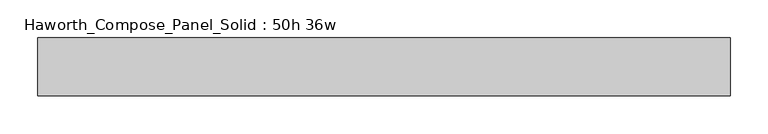
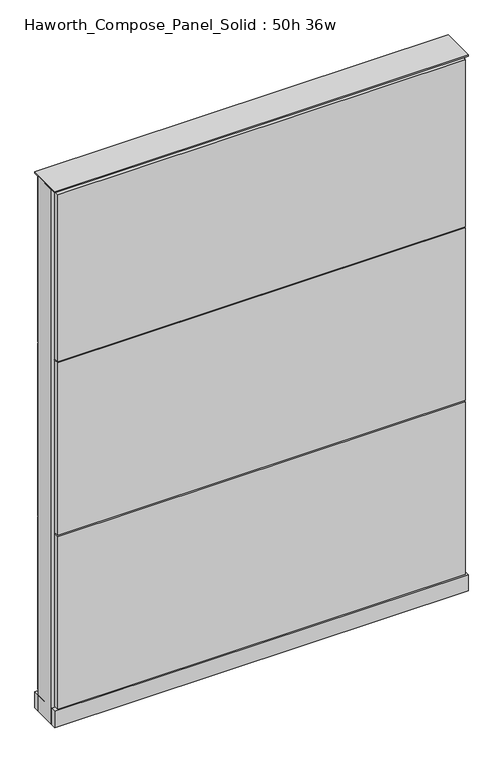
"""IFC4 building model written with IfcOpenShell, lengths in millimetres: furniture geometry, Haworth_Compose_Panel_Solid : 50h 36w."""

from ifc_helpers import new_model, si_unit, point, frame, frame_2d, origin, origin_with_axes, place, context, project, spatial, polyline, circle_curve, trimmed, segment, composite_curve, outline, extrude, source, transform, mapped, element, save


def haworth_compose_panel_solid_50h_36w_e4e8cb73(model_context):
    return source(origin(), model_context, "Body", "SweptSolid", [
        extrude(outline(composite_curve([segment(trimmed(circle_curve(frame_2d((-378.5597098, 0.0)), 12.7), [point((-391.2597098, 0.0))], [point((-365.8597098, 0.0))], False, "CARTESIAN"), True, "CONTINUOUS"), segment(trimmed(circle_curve(frame_2d((-378.5597098, 0.0)), 12.7), [point((-365.8597098, 0.0))], [point((-391.2597098, 0.0))], False, "CARTESIAN"), True, "CONTINUOUS")], self_intersect=False)), origin_with_axes(), (0.0, 0.0, 1.0), 12.7),
        extrude(outline(composite_curve([segment(trimmed(circle_curve(frame_2d((383.4402902, 0.0)), 12.7), [point((370.7402902, 0.0))], [point((396.1402902, 0.0))], False, "CARTESIAN"), True, "CONTINUOUS"), segment(trimmed(circle_curve(frame_2d((383.4402902, 0.0)), 12.7), [point((396.1402902, 0.0))], [point((370.7402902, 0.0))], False, "CARTESIAN"), True, "CONTINUOUS")], self_intersect=False)), origin_with_axes(), (0.0, 0.0, 1.0), 12.7),
        extrude(outline(polyline([(453.2902902, 38.1), (453.2902902, 25.4), (-448.4097098, 25.4), (-448.4097098, 38.1), (453.2902902, 38.1)])), frame((0.0, 0.0, 866.775), z_axis=(0.0, 0.0, 1.0), x_axis=(1.0, 0.0, 0.0)), (0.0, 0.0, 1.0), 390.525),
        extrude(outline(polyline([(453.2902902, 38.1), (453.2902902, 25.4), (-448.4097098, 25.4), (-448.4097098, 38.1), (453.2902902, 38.1)])), frame((0.0, 0.0, 460.375), z_axis=(0.0, 0.0, 1.0), x_axis=(1.0, 0.0, 0.0)), (0.0, 0.0, 1.0), 403.225),
        extrude(outline(polyline([(453.2902902, 38.1), (453.2902902, 25.4), (-448.4097098, 25.4), (-448.4097098, 38.1), (453.2902902, 38.1)])), frame((0.0, 0.0, 53.975), z_axis=(0.0, 0.0, 1.0), x_axis=(1.0, 0.0, 0.0)), (0.0, 0.0, 1.0), 403.225),
        extrude(outline(polyline([(453.2902902, -38.1), (-448.4097098, -38.1), (-448.4097098, -25.4), (453.2902902, -25.4), (453.2902902, -38.1)])), frame((0.0, 0.0, 866.775), z_axis=(0.0, 0.0, 1.0), x_axis=(1.0, 0.0, 0.0)), (0.0, 0.0, 1.0), 390.525),
        extrude(outline(polyline([(453.2902902, -38.1), (-448.4097098, -38.1), (-448.4097098, -25.4), (453.2902902, -25.4), (453.2902902, -38.1)])), frame((0.0, 0.0, 460.375), z_axis=(0.0, 0.0, 1.0), x_axis=(1.0, 0.0, 0.0)), (0.0, 0.0, 1.0), 403.225),
        extrude(outline(polyline([(453.2902902, -38.1), (-448.4097098, -38.1), (-448.4097098, -25.4), (453.2902902, -25.4), (453.2902902, -38.1)])), frame((0.0, 0.0, 53.975), z_axis=(0.0, 0.0, 1.0), x_axis=(1.0, 0.0, 0.0)), (0.0, 0.0, 1.0), 403.225),
        extrude(outline(polyline([(459.6402902, 25.4), (459.6402902, -25.4), (-454.7597098, -25.4), (-454.7597098, 25.4), (459.6402902, 25.4)])), frame((0.0, 0.0, 12.7), z_axis=(0.0, 0.0, 1.0), x_axis=(1.0, 0.0, 0.0)), (0.0, 0.0, 1.0), 1250.95),
        extrude(outline(polyline([(-454.7597098, -38.1), (-454.7597098, 38.1), (459.6402902, 38.1), (459.6402902, -38.1), (-454.7597098, -38.1)])), frame((0.0, 0.0, 12.7), z_axis=(0.0, 0.0, 1.0), x_axis=(1.0, 0.0, 0.0)), (0.0, 0.0, 1.0), 38.1),
        extrude(outline(polyline([(-454.7597098, -38.1), (-454.7597098, 38.1), (459.6402902, 38.1), (459.6402902, -38.1), (-454.7597098, -38.1)])), frame((0.0, 0.0, 1263.65), z_axis=(0.0, 0.0, 1.0), x_axis=(1.0, 0.0, 0.0)), (0.0, 0.0, 1.0), 3.175),
    ])


if __name__ == "__main__":
    model = new_model("IFC4")
    model_context = context("Model", 3, world=origin())
    ifc_project = project(units=[si_unit("LENGTHUNIT", "METRE", prefix="MILLI")], contexts=[model_context])
    site = spatial("IfcSite", under=ifc_project)
    building = spatial("IfcBuilding", under=site)
    placement = place(None, origin())
    haworth_compose_panel_solid_50h_36w_shape = haworth_compose_panel_solid_50h_36w_e4e8cb73(model_context)
    element("IfcFurniture", 1, ObjectType="Haworth_Compose_Panel_Solid : 50h 36w", at=placement, inside=building, context=model_context, shape_type="MappedRepresentation", body=[
        mapped(haworth_compose_panel_solid_50h_36w_shape, transform((0.0, 0.0, 0.0), x_axis=(1.0, 0.0, 0.0), y_axis=(0.0, 1.0, 0.0), z_axis=(0.0, 0.0, 1.0))),
    ])
    save(model, "model.ifc")
